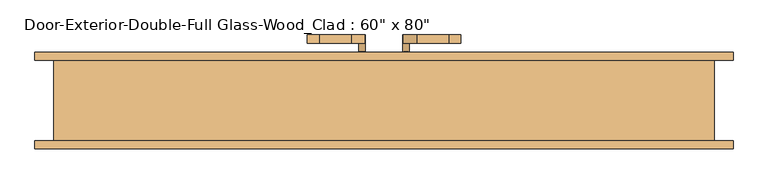
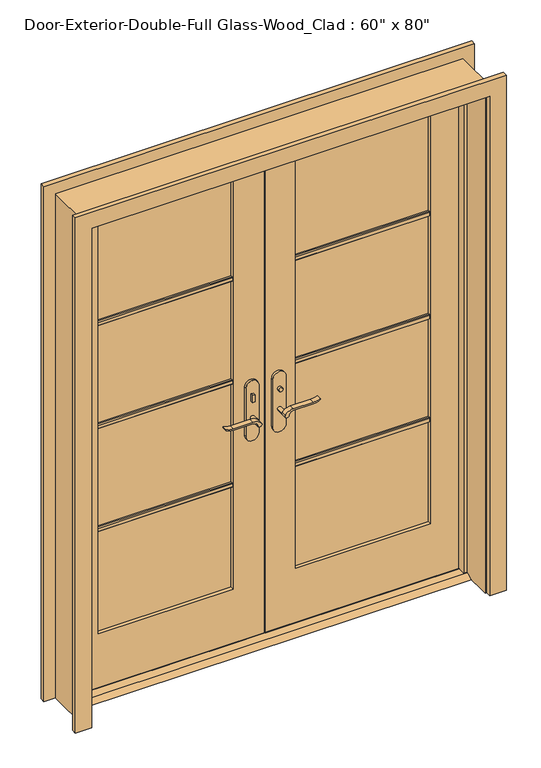
"""IFC4 building model written with IfcOpenShell, lengths in millimetres: door geometry."""

from ifc_helpers import new_model, si_unit, point, frame, frame_2d, origin, place, context, project, spatial, polyline, circle_curve, trimmed, segment, composite_curve, outline, extrude, faceted_brep, source, transform, mapped, element, save


def door_602bfbc3(model_context):
    return source(origin(), model_context, "Body", "SolidModel", [
        extrude(outline(polyline([(19.05, 12.7), (53.975, 12.7), (79.375, 0.0), (-6.35, 0.0), (19.05, 12.7)])), frame((-762.0, 0.0, 0.0), z_axis=(1.0, 0.0, 0.0), x_axis=(0.0, 1.0, 0.0)), (0.0, 0.0, 1.0), 1524.0),
        extrude(outline(polyline([(-47.4019111, 37.94375), (-57.4019111, 37.94375), (-57.4019111, 47.94375), (-47.4019111, 47.94375), (-47.4019111, 37.94375)])), frame((0.0, 0.0, 981.9), z_axis=(0.0, 0.0, 1.0), x_axis=(1.0, 0.0, 0.0)), (0.0, 0.0, 1.0), 30.0),
        extrude(outline(composite_curve([segment(trimmed(circle_curve(frame_2d((996.9, -52.4019111)), 8.0), [point((996.9, -60.4019111))], [point((996.9, -44.4019111))], False, "CARTESIAN"), True, "CONTINUOUS"), segment(trimmed(circle_curve(frame_2d((996.9, -52.4019111)), 8.0), [point((996.9, -44.4019111))], [point((996.9, -60.4019111))], False, "CARTESIAN"), True, "CONTINUOUS")], self_intersect=False)), frame((0.0, 102.86875, 0.0), z_axis=(0.0, 1.0, 0.0), x_axis=(0.0, 0.0, 1.0)), (0.0, 0.0, 1.0), 10.0),
        extrude(outline(composite_curve([segment(trimmed(circle_curve(frame_2d((897.1555521, -76.0694241)), 37.2832219), [point((919.0523287, -45.8937749))], [point((934.4, -77.7693445))], False, "CARTESIAN"), True, "CONTINUOUS"), segment(polyline([(934.4, -77.7693445), (934.4, -154.045502)]), True, "CONTINUOUS"), segment(trimmed(circle_curve(frame_2d((1017.6850638, -153.9791202)), 83.2850902), [point((934.4, -154.045502))], [point((939.4, -182.4019111))], True, "CARTESIAN"), True, "CONTINUOUS"), segment(polyline([(939.4, -182.4019111), (936.6135558, -182.4019111)]), True, "CONTINUOUS"), segment(trimmed(circle_curve(frame_2d((986.6709207, -150.4622499)), 59.3791355), [point((936.6135558, -182.4019111))], [point((927.4, -154.045502))], False, "CARTESIAN"), True, "CONTINUOUS"), segment(polyline([(927.4, -154.045502), (927.4, -77.7881013)]), True, "CONTINUOUS"), segment(trimmed(circle_curve(frame_2d((909.2738613, -77.7881013)), 18.1261387), [point((927.4, -77.7881013))], [point((914.4, -60.4019111))], True, "CARTESIAN"), True, "CONTINUOUS"), segment(trimmed(circle_curve(frame_2d((914.4, -52.4019111)), 8.0), [point((914.4, -60.4019111))], [point((919.0523287, -45.8937749))], False, "CARTESIAN"), True, "CONTINUOUS")], self_intersect=False)), frame((0.0, -2.05625, 0.0), z_axis=(0.0, 1.0, 0.0), x_axis=(0.0, 0.0, 1.0)), (0.0, 0.0, 1.0), 20.0),
        extrude(outline(composite_curve([segment(trimmed(circle_curve(frame_2d((914.4, -52.4019111)), 8.0), [point((914.3999903, -60.4019111))], [point((919.0523287, -45.8937749))], False, "CARTESIAN"), True, "CONTINUOUS"), segment(trimmed(circle_curve(frame_2d((897.1555521, -76.0694241)), 37.2832219), [point((919.0523287, -45.8937749))], [point((934.4, -77.7693445))], False, "CARTESIAN"), True, "CONTINUOUS"), segment(polyline([(934.4, -77.7693445), (934.4, -154.045502)]), True, "CONTINUOUS"), segment(trimmed(circle_curve(frame_2d((1017.6850638, -153.9791202)), 83.2850902), [point((934.4, -154.045502))], [point((939.4, -182.4019111))], True, "CARTESIAN"), True, "CONTINUOUS"), segment(polyline([(939.4, -182.4019111), (936.6135558, -182.4019111)]), True, "CONTINUOUS"), segment(trimmed(circle_curve(frame_2d((986.6709207, -150.4622499)), 59.3791355), [point((936.6135558, -182.4019111))], [point((927.4, -154.045502))], False, "CARTESIAN"), True, "CONTINUOUS"), segment(polyline([(927.4, -154.045502), (927.4, -77.788099)]), True, "CONTINUOUS"), segment(trimmed(circle_curve(frame_2d((909.2738682, -77.788099)), 18.1261318), [point((927.4, -77.788099))], [point((914.3999903, -60.4019111))], True, "CARTESIAN"), True, "CONTINUOUS")], self_intersect=False)), frame((0.0, 132.86875, 0.0), z_axis=(0.0, 1.0, 0.0), x_axis=(0.0, 0.0, 1.0)), (0.0, 0.0, 1.0), 20.0),
        extrude(outline(composite_curve([segment(trimmed(circle_curve(frame_2d((914.4, -52.4019111)), 8.0), [point((914.4, -60.4019111))], [point((914.4, -44.4019111))], False, "CARTESIAN"), True, "CONTINUOUS"), segment(trimmed(circle_curve(frame_2d((914.4, -52.4019111)), 8.0), [point((914.4, -44.4019111))], [point((914.4, -60.4019111))], False, "CARTESIAN"), True, "CONTINUOUS")], self_intersect=False)), frame((0.0, 17.94375, 0.0), z_axis=(0.0, 1.0, 0.0), x_axis=(0.0, 0.0, 1.0)), (0.0, 0.0, 1.0), 30.0),
        extrude(outline(composite_curve([segment(trimmed(circle_curve(frame_2d((914.4, -52.4019111)), 8.0), [point((914.4, -60.4019111))], [point((914.4, -44.4019111))], False, "CARTESIAN"), True, "CONTINUOUS"), segment(trimmed(circle_curve(frame_2d((914.4, -52.4019111)), 8.0), [point((914.4, -44.4019111))], [point((914.4, -60.4019111))], False, "CARTESIAN"), True, "CONTINUOUS")], self_intersect=False)), frame((0.0, 102.86875, 0.0), z_axis=(0.0, 1.0, 0.0), x_axis=(0.0, 0.0, 1.0)), (0.0, 0.0, 1.0), 30.0),
        extrude(outline(composite_curve([segment(polyline([(844.4, -27.4019111), (1039.4, -27.4019111)]), True, "CONTINUOUS"), segment(trimmed(circle_curve(frame_2d((1039.4, -52.4019111)), 25.0), [point((1039.4, -27.4019111))], [point((1039.4, -77.4019111))], False, "CARTESIAN"), True, "CONTINUOUS"), segment(polyline([(1039.4, -77.4019111), (844.4, -77.4019111)]), True, "CONTINUOUS"), segment(trimmed(circle_curve(frame_2d((844.4, -52.4019111)), 25.0), [point((844.4, -77.4019111))], [point((844.4, -27.4019111))], False, "CARTESIAN"), True, "CONTINUOUS")], self_intersect=False)), frame((0.0, 47.94375, 0.0), z_axis=(0.0, 1.0, 0.0), x_axis=(0.0, 0.0, 1.0)), (0.0, 0.0, 1.0), 10.0),
        extrude(outline(composite_curve([segment(polyline([(844.4, -27.4019111), (1039.4, -27.4019111)]), True, "CONTINUOUS"), segment(trimmed(circle_curve(frame_2d((1039.4, -52.4019111)), 25.0), [point((1039.4, -27.4019111))], [point((1039.4, -77.4019111))], False, "CARTESIAN"), True, "CONTINUOUS"), segment(polyline([(1039.4, -77.4019111), (844.4, -77.4019111)]), True, "CONTINUOUS"), segment(trimmed(circle_curve(frame_2d((844.4, -52.4019111)), 25.0), [point((844.4, -77.4019111))], [point((844.4, -27.4019111))], False, "CARTESIAN"), True, "CONTINUOUS")], self_intersect=False)), frame((0.0, 92.86875, 0.0), z_axis=(0.0, 1.0, 0.0), x_axis=(0.0, 0.0, 1.0)), (0.0, 0.0, 1.0), 10.0),
        extrude(outline(polyline([(47.3875, 112.86875), (57.3875, 112.86875), (57.3875, 102.86875), (47.3875, 102.86875), (47.3875, 112.86875)])), frame((0.0, 0.0, 981.9), z_axis=(0.0, 0.0, 1.0), x_axis=(1.0, 0.0, 0.0)), (0.0, 0.0, 1.0), 30.0),
        extrude(outline(composite_curve([segment(trimmed(circle_curve(frame_2d((996.9, 52.3875)), 8.0), [point((996.9, 60.3875))], [point((996.9, 44.3875))], False, "CARTESIAN"), True, "CONTINUOUS"), segment(trimmed(circle_curve(frame_2d((996.9, 52.3875)), 8.0), [point((996.9, 44.3875))], [point((996.9, 60.3875))], False, "CARTESIAN"), True, "CONTINUOUS")], self_intersect=False)), frame((0.0, 37.94375, 0.0), z_axis=(0.0, 1.0, 0.0), x_axis=(0.0, 0.0, 1.0)), (0.0, 0.0, 1.0), 10.0),
        extrude(outline(composite_curve([segment(trimmed(circle_curve(frame_2d((914.4, 52.3875)), 8.0), [point((919.0523287, 45.8793637))], [point((914.4, 60.3875))], False, "CARTESIAN"), True, "CONTINUOUS"), segment(trimmed(circle_curve(frame_2d((909.2738613, 77.7736901)), 18.1261387), [point((914.4, 60.3875))], [point((927.4, 77.7736901))], True, "CARTESIAN"), True, "CONTINUOUS"), segment(polyline([(927.4, 77.7736901), (927.4, 154.0310909)]), True, "CONTINUOUS"), segment(trimmed(circle_curve(frame_2d((986.6709207, 150.4478388)), 59.3791355), [point((927.4, 154.0310909))], [point((936.6135558, 182.3875))], False, "CARTESIAN"), True, "CONTINUOUS"), segment(polyline([(936.6135558, 182.3875), (939.4, 182.3875)]), True, "CONTINUOUS"), segment(trimmed(circle_curve(frame_2d((1017.6850638, 153.9647091)), 83.2850902), [point((939.4, 182.3875))], [point((934.4, 154.0310909))], True, "CARTESIAN"), True, "CONTINUOUS"), segment(polyline([(934.4, 154.0310909), (934.4, 77.7549333)]), True, "CONTINUOUS"), segment(trimmed(circle_curve(frame_2d((897.1555521, 76.0550129)), 37.2832219), [point((934.4, 77.7549333))], [point((919.0523287, 45.8793637))], False, "CARTESIAN"), True, "CONTINUOUS")], self_intersect=False)), frame((0.0, 132.86875, 0.0), z_axis=(0.0, 1.0, 0.0), x_axis=(0.0, 0.0, 1.0)), (0.0, 0.0, 1.0), 20.0),
        extrude(outline(composite_curve([segment(trimmed(circle_curve(frame_2d((909.2738682, 77.7736878)), 18.1261318), [point((914.3999903, 60.3875))], [point((927.4, 77.7736878))], True, "CARTESIAN"), True, "CONTINUOUS"), segment(polyline([(927.4, 77.7736878), (927.4, 154.0310909)]), True, "CONTINUOUS"), segment(trimmed(circle_curve(frame_2d((986.6709207, 150.4478388)), 59.3791355), [point((927.4, 154.0310909))], [point((936.6135558, 182.3875))], False, "CARTESIAN"), True, "CONTINUOUS"), segment(polyline([(936.6135558, 182.3875), (939.4, 182.3875)]), True, "CONTINUOUS"), segment(trimmed(circle_curve(frame_2d((1017.6850638, 153.9647091)), 83.2850902), [point((939.4, 182.3875))], [point((934.4, 154.0310909))], True, "CARTESIAN"), True, "CONTINUOUS"), segment(polyline([(934.4, 154.0310909), (934.4, 77.7549333)]), True, "CONTINUOUS"), segment(trimmed(circle_curve(frame_2d((897.1555521, 76.0550129)), 37.2832219), [point((934.4, 77.7549333))], [point((919.0523287, 45.8793637))], False, "CARTESIAN"), True, "CONTINUOUS"), segment(trimmed(circle_curve(frame_2d((914.4, 52.3875)), 8.0), [point((919.0523287, 45.8793637))], [point((914.3999903, 60.3875))], False, "CARTESIAN"), True, "CONTINUOUS")], self_intersect=False)), frame((0.0, -2.05625, 0.0), z_axis=(0.0, 1.0, 0.0), x_axis=(0.0, 0.0, 1.0)), (0.0, 0.0, 1.0), 20.0),
        extrude(outline(composite_curve([segment(trimmed(circle_curve(frame_2d((914.4, 52.3875)), 8.0), [point((914.4, 60.3875))], [point((914.4, 44.3875))], False, "CARTESIAN"), True, "CONTINUOUS"), segment(trimmed(circle_curve(frame_2d((914.4, 52.3875)), 8.0), [point((914.4, 44.3875))], [point((914.4, 60.3875))], False, "CARTESIAN"), True, "CONTINUOUS")], self_intersect=False)), frame((0.0, 102.86875, 0.0), z_axis=(0.0, 1.0, 0.0), x_axis=(0.0, 0.0, 1.0)), (0.0, 0.0, 1.0), 30.0),
        extrude(outline(composite_curve([segment(trimmed(circle_curve(frame_2d((914.4, 52.3875)), 8.0), [point((914.4, 60.3875))], [point((914.4, 44.3875))], False, "CARTESIAN"), True, "CONTINUOUS"), segment(trimmed(circle_curve(frame_2d((914.4, 52.3875)), 8.0), [point((914.4, 44.3875))], [point((914.4, 60.3875))], False, "CARTESIAN"), True, "CONTINUOUS")], self_intersect=False)), frame((0.0, 17.94375, 0.0), z_axis=(0.0, 1.0, 0.0), x_axis=(0.0, 0.0, 1.0)), (0.0, 0.0, 1.0), 30.0),
        extrude(outline(composite_curve([segment(trimmed(circle_curve(frame_2d((844.4, 52.3875)), 25.0), [point((844.4, 27.3875))], [point((844.4, 77.3875))], False, "CARTESIAN"), True, "CONTINUOUS"), segment(polyline([(844.4, 77.3875), (1039.4, 77.3875)]), True, "CONTINUOUS"), segment(trimmed(circle_curve(frame_2d((1039.4, 52.3875)), 25.0), [point((1039.4, 77.3875))], [point((1039.4, 27.3875))], False, "CARTESIAN"), True, "CONTINUOUS"), segment(polyline([(1039.4, 27.3875), (844.4, 27.3875)]), True, "CONTINUOUS")], self_intersect=False)), frame((0.0, 92.86875, 0.0), z_axis=(0.0, 1.0, 0.0), x_axis=(0.0, 0.0, 1.0)), (0.0, 0.0, 1.0), 10.0),
        extrude(outline(composite_curve([segment(trimmed(circle_curve(frame_2d((844.4, 52.3875)), 25.0), [point((844.4, 27.3875))], [point((844.4, 77.3875))], False, "CARTESIAN"), True, "CONTINUOUS"), segment(polyline([(844.4, 77.3875), (1039.4, 77.3875)]), True, "CONTINUOUS"), segment(trimmed(circle_curve(frame_2d((1039.4, 52.3875)), 25.0), [point((1039.4, 77.3875))], [point((1039.4, 27.3875))], False, "CARTESIAN"), True, "CONTINUOUS"), segment(polyline([(1039.4, 27.3875), (844.4, 27.3875)]), True, "CONTINUOUS")], self_intersect=False)), frame((0.0, 47.94375, 0.0), z_axis=(0.0, 1.0, 0.0), x_axis=(0.0, 0.0, 1.0)), (0.0, 0.0, 1.0), 10.0),
        extrude(outline(polyline([(71.91375, 1502.171875), (71.91375, 1483.121875), (65.56375, 1483.121875), (62.38875, 1486.296875), (62.38875, 1498.996875), (65.56375, 1502.171875), (71.91375, 1502.171875)])), frame((120.65, 0.0, 0.0), z_axis=(1.0, 0.0, 0.0), x_axis=(0.0, 1.0, 0.0)), (0.0, 0.0, 1.0), 520.7),
        extrude(outline(polyline([(71.91375, 1081.88125), (71.91375, 1062.83125), (65.56375, 1062.83125), (62.38875, 1066.00625), (62.38875, 1078.70625), (65.56375, 1081.88125), (71.91375, 1081.88125)])), frame((120.65, 0.0, 0.0), z_axis=(1.0, 0.0, 0.0), x_axis=(0.0, 1.0, 0.0)), (0.0, 0.0, 1.0), 520.7),
        extrude(outline(polyline([(71.91375, 661.590625), (71.91375, 642.540625), (65.56375, 642.540625), (62.38875, 645.715625), (62.38875, 658.415625), (65.56375, 661.590625), (71.91375, 661.590625)])), frame((120.65, 0.0, 0.0), z_axis=(1.0, 0.0, 0.0), x_axis=(0.0, 1.0, 0.0)), (0.0, 0.0, 1.0), 520.7),
        extrude(outline(polyline([(78.89875, 1502.171875), (85.24875, 1502.171875), (88.42375, 1498.996875), (88.42375, 1486.296875), (85.24875, 1483.121875), (78.89875, 1483.121875), (78.89875, 1502.171875)])), frame((-641.35, 0.0, 0.0), z_axis=(1.0, 0.0, 0.0), x_axis=(0.0, 1.0, 0.0)), (0.0, 0.0, 1.0), 520.7),
        extrude(outline(polyline([(78.89875, 1081.88125), (85.24875, 1081.88125), (88.42375, 1078.70625), (88.42375, 1066.00625), (85.24875, 1062.83125), (78.89875, 1062.83125), (78.89875, 1081.88125)])), frame((-641.35, 0.0, 0.0), z_axis=(1.0, 0.0, 0.0), x_axis=(0.0, 1.0, 0.0)), (0.0, 0.0, 1.0), 520.7),
        extrude(outline(polyline([(78.89875, 661.590625), (85.24875, 661.590625), (88.42375, 658.415625), (88.42375, 645.715625), (85.24875, 642.540625), (78.89875, 642.540625), (78.89875, 661.590625)])), frame((-641.35, 0.0, 0.0), z_axis=(1.0, 0.0, 0.0), x_axis=(0.0, 1.0, 0.0)), (0.0, 0.0, 1.0), 520.7),
        extrude(outline(polyline([(78.89875, 1502.171875), (85.24875, 1502.171875), (88.42375, 1498.996875), (88.42375, 1486.296875), (85.24875, 1483.121875), (78.89875, 1483.121875), (78.89875, 1502.171875)])), frame((120.65, 0.0, 0.0), z_axis=(1.0, 0.0, 0.0), x_axis=(0.0, 1.0, 0.0)), (0.0, 0.0, 1.0), 520.7),
        extrude(outline(polyline([(78.89875, 1081.88125), (85.24875, 1081.88125), (88.42375, 1078.70625), (88.42375, 1066.00625), (85.24875, 1062.83125), (78.89875, 1062.83125), (78.89875, 1081.88125)])), frame((120.65, 0.0, 0.0), z_axis=(1.0, 0.0, 0.0), x_axis=(0.0, 1.0, 0.0)), (0.0, 0.0, 1.0), 520.7),
        extrude(outline(polyline([(78.89875, 661.590625), (85.24875, 661.590625), (88.42375, 658.415625), (88.42375, 645.715625), (85.24875, 642.540625), (78.89875, 642.540625), (78.89875, 661.590625)])), frame((120.65, 0.0, 0.0), z_axis=(1.0, 0.0, 0.0), x_axis=(0.0, 1.0, 0.0)), (0.0, 0.0, 1.0), 520.7),
        extrude(outline(polyline([(71.91375, 1502.171875), (71.91375, 1483.121875), (65.56375, 1483.121875), (62.38875, 1486.296875), (62.38875, 1498.996875), (65.56375, 1502.171875), (71.91375, 1502.171875)])), frame((-641.35, 0.0, 0.0), z_axis=(1.0, 0.0, 0.0), x_axis=(0.0, 1.0, 0.0)), (0.0, 0.0, 1.0), 520.7),
        extrude(outline(polyline([(71.91375, 1081.88125), (71.91375, 1062.83125), (65.56375, 1062.83125), (62.38875, 1066.00625), (62.38875, 1078.70625), (65.56375, 1081.88125), (71.91375, 1081.88125)])), frame((-641.35, 0.0, 0.0), z_axis=(1.0, 0.0, 0.0), x_axis=(0.0, 1.0, 0.0)), (0.0, 0.0, 1.0), 520.7),
        extrude(outline(polyline([(71.91375, 661.590625), (71.91375, 642.540625), (65.56375, 642.540625), (62.38875, 645.715625), (62.38875, 658.415625), (65.56375, 661.590625), (71.91375, 661.590625)])), frame((-641.35, 0.0, 0.0), z_axis=(1.0, 0.0, 0.0), x_axis=(0.0, 1.0, 0.0)), (0.0, 0.0, 1.0), 520.7),
        extrude(outline(polyline([(0.0, 768.35), (0.0, 831.85), (2101.85, 831.85), (2101.85, -831.85), (0.0, -831.85), (0.0, -768.35), (2038.35, -768.35), (2038.35, 768.35), (0.0, 768.35)])), frame((0.0, 92.86875, 0.0), z_axis=(0.0, 1.0, 0.0), x_axis=(0.0, 0.0, 1.0)), (0.0, 0.0, 1.0), 19.05),
        extrude(outline(polyline([(0.0, 768.35), (0.0, 831.85), (2101.85, 831.85), (2101.85, -831.85), (0.0, -831.85), (0.0, -768.35), (2038.35, -768.35), (2038.35, 768.35), (0.0, 768.35)])), frame((0.0, -118.26875, 0.0), z_axis=(0.0, 1.0, 0.0), x_axis=(0.0, 0.0, 1.0)), (0.0, 0.0, 1.0), 19.05),
        extrude(outline(polyline([(12.7, 762.0), (2032.0, 762.0), (2032.0, 1.5875), (12.7, 1.5875), (12.7, 762.0)]), holes=[polyline([(1912.9375, 120.65), (1912.9375, 641.35), (231.775, 641.35), (231.775, 120.65), (1912.9375, 120.65)])]), frame((0.0, 57.94375, 0.0), z_axis=(0.0, 1.0, 0.0), x_axis=(0.0, 0.0, 1.0)), (0.0, 0.0, 1.0), 34.925),
        extrude(outline(polyline([(2032.0, -762.0), (12.7, -762.0), (12.7, -1.6019111), (2032.0, -1.6019111), (2032.0, -762.0)]), holes=[polyline([(231.775, -641.35), (1912.9375, -641.35), (1912.9375, -120.65), (231.775, -120.65), (231.775, -641.35)])]), frame((0.0, 57.94375, 0.0), z_axis=(0.0, 1.0, 0.0), x_axis=(0.0, 0.0, 1.0)), (0.0, 0.0, 1.0), 34.925),
        faceted_brep([(787.4, 92.86875, 0.0), (787.4, -99.21875, 0.0), (762.0, -99.21875, 0.0), (762.0, 23.01875, 0.0), (749.3, 23.01875, 0.0), (749.3, 57.94375, 0.0), (762.0, 57.94375, 0.0), (762.0, 92.86875, 0.0), (787.4, 92.86875, 2057.4), (787.4, -99.21875, 2057.4), (-787.4, -99.21875, 2057.4), (-787.4, -99.21875, 0.0), (-762.0, -99.21875, 0.0), (-762.0, -99.21875, 2032.0), (762.0, -99.21875, 2032.0), (762.0, 23.01875, 2032.0), (-762.0, 23.01875, 2032.0), (-762.0, 23.01875, 0.0), (-749.3, 23.01875, 0.0), (-749.3, 23.01875, 2019.3), (749.3, 23.01875, 2019.3), (749.3, 57.94375, 2019.3), (1.5875, 57.94375, 2019.3), (-1.6019111, 57.94375, 2019.3), (-749.3, 57.94375, 2019.3), (-749.3, 57.94375, 0.0), (-762.0, 57.94375, 0.0), (-762.0, 57.94375, 2032.0), (-1.6019111, 57.94375, 2032.0), (1.5875, 57.94375, 2032.0), (762.0, 57.94375, 2032.0), (762.0, 92.86875, 2032.0), (1.5875, 92.86875, 2032.0), (-1.6019111, 92.86875, 2032.0), (-762.0, 92.86875, 2032.0), (-762.0, 92.86875, 0.0), (-787.4, 92.86875, 0.0), (-787.4, 92.86875, 2057.4)], [[[0, 1, 2, 3, 4, 5, 6, 7]], [[1, 0, 8, 9]], [[2, 1, 9, 10, 11, 12, 13, 14]], [[3, 2, 14, 15]], [[4, 3, 15, 16, 17, 18, 19, 20]], [[5, 4, 20, 21]], [[6, 5, 21, 22, 23, 24, 25, 26, 27, 28, 29, 30]], [[7, 6, 30, 31]], [[0, 7, 31, 32, 33, 34, 35, 36, 37, 8]], [[9, 8, 37, 10]], [[14, 13, 16, 15]], [[20, 19, 24, 23, 22, 21]], [[31, 30, 29, 28, 27, 34, 33, 32]], [[12, 11, 36, 35, 26, 25, 18, 17]], [[11, 10, 37, 36]], [[13, 12, 17, 16]], [[19, 18, 25, 24]], [[27, 26, 35, 34]]]),
        extrude(outline(polyline([(641.35, 71.91375), (120.65, 71.91375), (120.65, 78.89875), (641.35, 78.89875), (641.35, 71.91375)])), frame((0.0, 0.0, 231.775), z_axis=(0.0, 0.0, 1.0), x_axis=(1.0, 0.0, 0.0)), (0.0, 0.0, 1.0), 1681.1625),
        extrude(outline(polyline([(-120.65, 71.91375), (-641.35, 71.91375), (-641.35, 78.89875), (-120.65, 78.89875), (-120.65, 71.91375)])), frame((0.0, 0.0, 231.775), z_axis=(0.0, 0.0, 1.0), x_axis=(1.0, 0.0, 0.0)), (0.0, 0.0, 1.0), 1681.1625),
    ])


if __name__ == "__main__":
    model = new_model("IFC4")
    model_context = context("Model", 3, world=origin())
    ifc_project = project(units=[si_unit("LENGTHUNIT", "METRE", prefix="MILLI")], contexts=[model_context])
    site = spatial("IfcSite", under=ifc_project)
    building = spatial("IfcBuilding", under=site)
    placement = place(None, origin())
    door_shape = door_602bfbc3(model_context)
    element("IfcDoor", 1, ObjectType="Door-Exterior-Double-Full Glass-Wood_Clad : 60\" x 80\"", at=placement, inside=building, context=model_context, shape_type="MappedRepresentation", body=[
        mapped(door_shape, transform((0.0, 0.0, 0.0), x_axis=(1.0, 0.0, 0.0), y_axis=(0.0, 1.0, 0.0), z_axis=(0.0, 0.0, 1.0))),
    ])
    save(model, "model.ifc")
